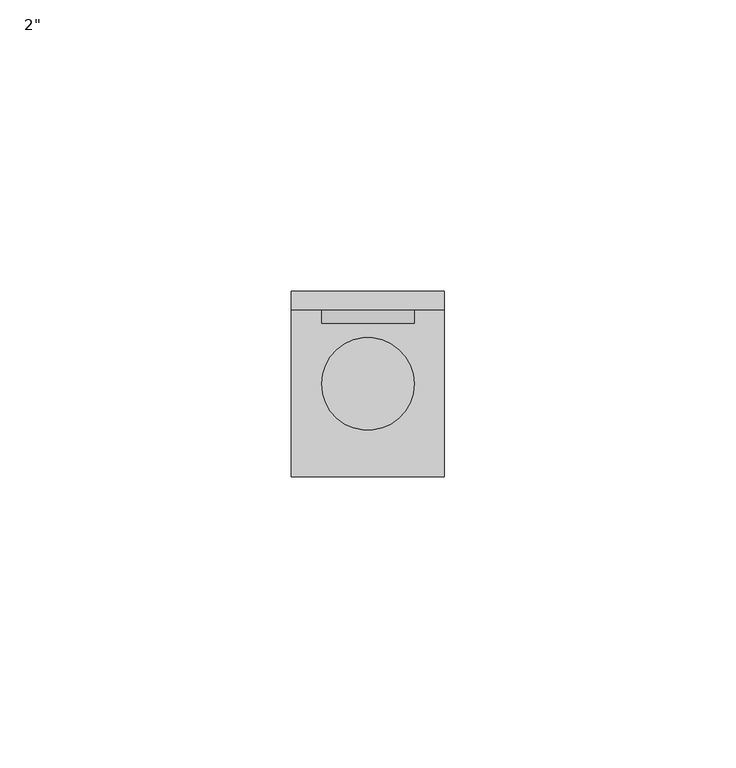
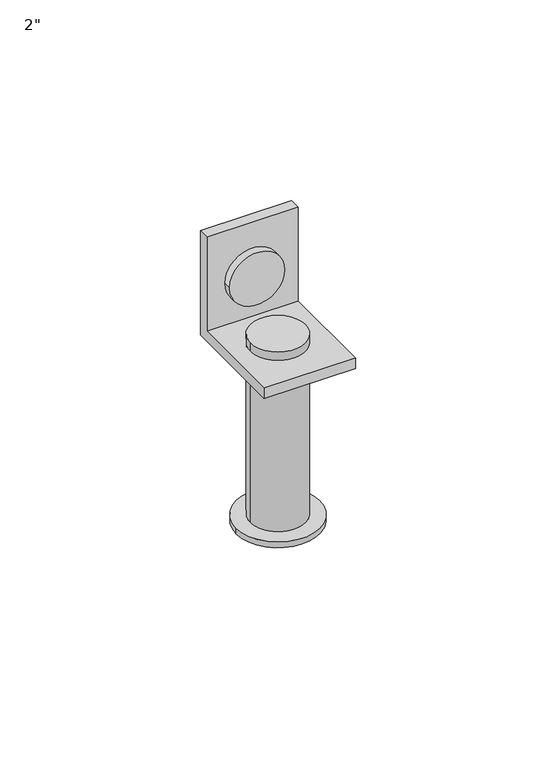
"""IFC4 building model written with IfcOpenShell, lengths in millimetres: proxy geometry."""

from ifc_helpers import new_model, si_unit, point, frame, frame_2d, origin, origin_with_axes, place, context, project, spatial, polyline, circle_curve, trimmed, segment, composite_curve, outline, extrude, source, transform, mapped, element, save


def proxy_6a17f8dd(model_context):
    return source(origin(), model_context, "Body", "SweptSolid", [
        extrude(outline(composite_curve([segment(trimmed(circle_curve(frame_2d((13.1, 0.0)), 12.0), [point((1.1, 0.0))], [point((25.1, 0.0))], False, "CARTESIAN"), True, "CONTINUOUS"), segment(trimmed(circle_curve(frame_2d((13.1, 0.0)), 12.0), [point((25.1, 0.0))], [point((1.1, 0.0))], False, "CARTESIAN"), True, "CONTINUOUS")], self_intersect=False)), frame((0.0, 0.0, -1.75), z_axis=(0.0, 0.0, 1.0), x_axis=(1.0, 0.0, 0.0)), (0.0, 0.0, 1.0), 1.75),
        extrude(outline(composite_curve([segment(trimmed(circle_curve(frame_2d((65.375, 13.1)), 7.938), [point((65.375, 5.162))], [point((65.375, 21.038))], False, "CARTESIAN"), True, "CONTINUOUS"), segment(trimmed(circle_curve(frame_2d((65.375, 13.1)), 7.938), [point((65.375, 21.038))], [point((65.375, 5.162))], False, "CARTESIAN"), True, "CONTINUOUS")], self_intersect=False)), frame((0.0, 10.3999746, 0.0), z_axis=(0.0, 1.0, 0.0), x_axis=(0.0, 0.0, 1.0)), (0.0, 0.0, 1.0), 2.3),
        extrude(outline(composite_curve([segment(trimmed(circle_curve(frame_2d((13.1, 0.0)), 7.9375), [point((5.1625, 0.0))], [point((21.0375, 0.0))], False, "CARTESIAN"), True, "CONTINUOUS"), segment(trimmed(circle_curve(frame_2d((13.1, 0.0)), 7.9375), [point((21.0375, 0.0))], [point((5.1625, 0.0))], False, "CARTESIAN"), True, "CONTINUOUS")], self_intersect=False)), origin_with_axes(), (0.0, 0.0, 1.0), 55.0),
        extrude(outline(polyline([(12.6999746, 52.674994), (12.6999746, 81.25), (15.8749682, 81.25), (15.8749682, 49.5), (-15.8749682, 49.5), (-15.8749682, 52.674994), (12.6999746, 52.674994)])), frame((0.0, 0.0, 0.0), z_axis=(1.0, 0.0, 0.0), x_axis=(0.0, 1.0, 0.0)), (0.0, 0.0, 1.0), 26.2),
    ])


if __name__ == "__main__":
    model = new_model("IFC4")
    model_context = context("Model", 3, world=origin())
    ifc_project = project(units=[si_unit("LENGTHUNIT", "METRE", prefix="MILLI")], contexts=[model_context])
    site = spatial("IfcSite", under=ifc_project)
    building = spatial("IfcBuilding", under=site)
    placement = place(None, origin())
    proxy_shape = proxy_6a17f8dd(model_context)
    element("IfcBuildingElementProxy", 1, Name="2\"", ObjectType="2\"", at=placement, inside=building, context=model_context, shape_type="MappedRepresentation", body=[
        mapped(proxy_shape, transform((0.0, 0.0, 0.0), x_axis=(1.0, 0.0, 0.0), y_axis=(0.0, 1.0, 0.0), z_axis=(0.0, 0.0, 1.0))),
    ])
    save(model, "model.ifc")
